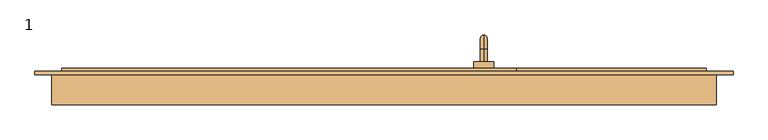
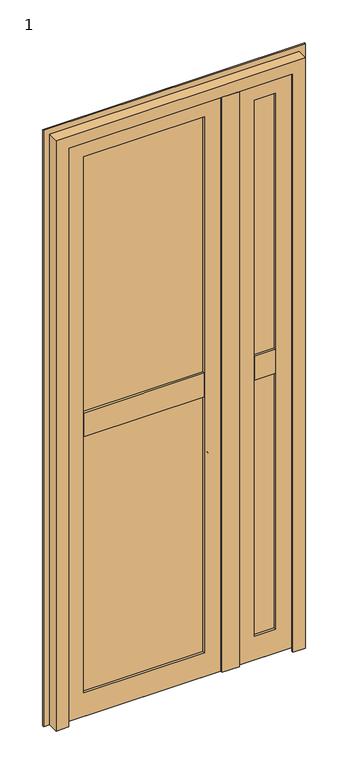
"""IFC4 building model written with IfcOpenShell, lengths in millimetres: door geometry, 1."""

import ifcopenshell
import ifcopenshell.guid

model = None  # the IFC model being written
_history = None  # IfcOwnerHistory: only IFC2X3 demands one
_inside = {}  # id of a spatial element -> (the spatial element, [elements in it])
_under = {}  # id of a project, library or spatial element -> (it, [spatial elements below it])
_declared = {}  # id of a project -> (the project, [libraries it declares])
_typed = {}  # id of a type object -> (the type object, [elements of that type])
_made_of = {}  # id of a material, layer set ... -> (it, [elements and type objects made of it])


def new_model(schema):
    """Start an empty IFC model of exactly this schema.

    Asked for "IFC4X3", IfcOpenShell would pick the latest addendum, in which some entities
    have other attributes; the version numbers below select the first issue.
    IFC2X3 requires an IfcOwnerHistory on every rooted entity: one is made here for all.
    """
    global model, _history
    if schema == "IFC4X3":
        model = ifcopenshell.file(schema_version=(4, 3, 0, 0))
    else:
        model = ifcopenshell.file(schema=schema)
    _inside.clear()
    _under.clear()
    _declared.clear()
    _typed.clear()
    _made_of.clear()
    _history = None
    if model.schema == "IFC2X3":
        org = make("IfcOrganization", Name="unknown")
        user = make(
            "IfcPersonAndOrganization",
            ThePerson=make("IfcPerson", FamilyName="unknown"),
            TheOrganization=org,
        )
        app = make(
            "IfcApplication",
            ApplicationDeveloper=org,
            Version="unknown",
            ApplicationFullName="unknown",
            ApplicationIdentifier="unknown",
        )
        _history = make(
            "IfcOwnerHistory",
            OwningUser=user,
            OwningApplication=app,
            ChangeAction="ADDED",
            CreationDate=0,
        )
    return model


def make(cls, **values):
    """One entity of the class cls with the attributes given. An attribute that is None is left unset."""
    return model.create_entity(
        cls, **{name: value for name, value in values.items() if value is not None}
    )


def rooted(cls, **values):
    """An entity with a GlobalId (a new one), such as an element, a storey or a relation."""
    return make(cls, GlobalId=ifcopenshell.guid.new(), OwnerHistory=_history, **values)


def si_unit(unit_type, name, prefix=None):
    """IfcSIUnit, for example si_unit("LENGTHUNIT", "METRE", prefix="MILLI")."""
    return make("IfcSIUnit", UnitType=unit_type, Prefix=prefix, Name=name)


def assignment(units):
    """IfcUnitAssignment: the units of a project."""
    return None if units is None else make("IfcUnitAssignment", Units=units)


def point(xyz):
    """IfcCartesianPoint."""
    return None if xyz is None else make("IfcCartesianPoint", Coordinates=xyz)


def direction(xyz):
    """IfcDirection."""
    return None if xyz is None else make("IfcDirection", DirectionRatios=xyz)


def frame(location, z_axis=None, x_axis=None):
    """IfcAxis2Placement3D, a coordinate frame: its origin and axes. An axis left out is left unset."""
    return make(
        "IfcAxis2Placement3D",
        Location=point(location),
        Axis=direction(z_axis),
        RefDirection=direction(x_axis),
    )


def origin():
    """The frame at (0, 0, 0) with its axes left unset."""
    return frame((0.0, 0.0, 0.0))


def place(relative_to, where):
    """IfcLocalPlacement: puts the frame where relative to a parent placement (None: the world)."""
    return make(
        "IfcLocalPlacement", PlacementRelTo=relative_to, RelativePlacement=where
    )


def context(
    kind, dimensions, precision=None, world=None, true_north=None, identifier=None
):
    """IfcGeometricRepresentationContext, for example the 3D "Model" context."""
    return make(
        "IfcGeometricRepresentationContext",
        ContextIdentifier=identifier,
        ContextType=kind,
        CoordinateSpaceDimension=dimensions,
        Precision=precision,
        WorldCoordinateSystem=world,
        TrueNorth=true_north,
    )


def project(units=None, contexts=None):
    """IfcProject with its units and contexts."""
    return rooted(
        "IfcProject",
        Name="project",
        RepresentationContexts=contexts,
        UnitsInContext=assignment(units),
    )


def spatial(cls, under=None, at=None, **own):
    """A site, building, storey or space (cls), placed at a placement, below another one or the project."""
    s = rooted(cls, ObjectPlacement=at, **own)
    if under is not None:
        _under.setdefault(under.id(), (under, []))[1].append(s)
    return s


def polyline(points):
    """IfcPolyline through the points."""
    return make("IfcPolyline", Points=[point(p) for p in points])


def circle_curve(where, radius):
    """IfcCircle in the frame where."""
    return make("IfcCircle", Position=where, Radius=radius)


def ellipse_curve(where, semi_axis1, semi_axis2):
    """IfcEllipse in the frame where."""
    return make(
        "IfcEllipse", Position=where, SemiAxis1=semi_axis1, SemiAxis2=semi_axis2
    )


def trimmed(basis, trim1, trim2, sense, master):
    """IfcTrimmedCurve: the piece of a basis curve between two trims."""
    return make(
        "IfcTrimmedCurve",
        BasisCurve=basis,
        Trim1=trim1,
        Trim2=trim2,
        SenseAgreement=sense,
        MasterRepresentation=master,
    )


def outline(outer, holes=None, kind="AREA"):
    """IfcArbitraryClosedProfileDef: a profile drawn as a closed curve; with holes, ...WithVoids."""
    if holes is None:
        return make("IfcArbitraryClosedProfileDef", ProfileType=kind, OuterCurve=outer)
    return make(
        "IfcArbitraryProfileDefWithVoids",
        ProfileType=kind,
        OuterCurve=outer,
        InnerCurves=holes,
    )


def extrude(swept, where, along, depth):
    """IfcExtrudedAreaSolid: the profile swept, set in the frame where, extruded along a direction by depth."""
    return make(
        "IfcExtrudedAreaSolid",
        SweptArea=swept,
        Position=where,
        ExtrudedDirection=direction(along),
        Depth=depth,
    )


def faces_of(points, faces, orient=None, outer=None):
    """IfcFace entities. A face is a list of loops; a loop is a list of indices into points, from 0.

    orient and outer hold one flag for each loop. By default every Orientation is true, the
    first loop of a face is its IfcFaceOuterBound and the others are IfcFaceBound.
    """
    made = []
    for i, loops in enumerate(faces):
        bounds = []
        for j, loop in enumerate(loops):
            is_outer = j == 0 if outer is None else outer[i][j]
            bounds.append(
                make(
                    "IfcFaceOuterBound" if is_outer else "IfcFaceBound",
                    Bound=make("IfcPolyLoop", Polygon=[points[k] for k in loop]),
                    Orientation=True if orient is None else orient[i][j],
                )
            )
        made.append(make("IfcFace", Bounds=bounds))
    return made


def faceted_brep(points, faces, orient=None, outer=None, voids=None):
    """IfcFacetedBrep: a solid bounded by flat faces; with voids (closed shells), ...WithVoids."""
    shared = [point(p) for p in points]
    hull = make("IfcClosedShell", CfsFaces=faces_of(shared, faces, orient, outer))
    if voids is None:
        return make("IfcFacetedBrep", Outer=hull)
    return make(
        "IfcFacetedBrepWithVoids",
        Outer=hull,
        Voids=[
            make(cls, CfsFaces=faces_of(shared, fs, o, b)) for cls, fs, o, b in voids
        ],
    )


def shape(context_of_items, identifier, shape_type, items):
    """IfcShapeRepresentation: the items that make up one representation, for example the "Body"."""
    return make(
        "IfcShapeRepresentation",
        ContextOfItems=context_of_items,
        RepresentationIdentifier=identifier,
        RepresentationType=shape_type,
        Items=items,
    )


def source(mapping_origin, context_of_items, identifier, shape_type, items):
    """IfcRepresentationMap: a shape defined once, which mapped items show again and again."""
    return make(
        "IfcRepresentationMap",
        MappingOrigin=mapping_origin,
        MappedRepresentation=shape(context_of_items, identifier, shape_type, items),
    )


def transform(
    local_origin,
    x_axis=None,
    y_axis=None,
    z_axis=None,
    scale=None,
    scale2=None,
    scale3=None,
    uniform=True,
):
    """IfcCartesianTransformationOperator3D, or its non-uniform kind. x_axis, y_axis, z_axis: its Axis1, 2, 3."""
    if uniform:
        return make(
            "IfcCartesianTransformationOperator3D",
            Axis1=direction(x_axis),
            Axis2=direction(y_axis),
            LocalOrigin=point(local_origin),
            Scale=scale,
            Axis3=direction(z_axis),
        )
    return make(
        "IfcCartesianTransformationOperator3DnonUniform",
        Axis1=direction(x_axis),
        Axis2=direction(y_axis),
        LocalOrigin=point(local_origin),
        Scale=scale,
        Axis3=direction(z_axis),
        Scale2=scale2,
        Scale3=scale3,
    )


def mapped(mapping_source, mapping_target):
    """IfcMappedItem: shows the shape of a source again, moved by a transform."""
    return make(
        "IfcMappedItem", MappingSource=mapping_source, MappingTarget=mapping_target
    )


def made_of(thing, what):
    """Note that an element or type object is made of a material, layer set ...; save() writes the relation."""
    if what is not None:
        _made_of.setdefault(what.id(), (what, []))[1].append(thing)
    return thing


def element(
    cls,
    number,
    at=None,
    inside=None,
    cuts=None,
    type_object=None,
    material=None,
    context=None,
    identifier="Body",
    shape_type=None,
    held_by="IfcProductDefinitionShape",
    body=None,
    shapes=None,
    **own,
):
    """One element of the class cls, such as IfcWall. Its Tag is "e" and its number.

    at: its placement. inside: the storey or other place that contains it. cuts: it is an
    opening in that element (IfcRelVoidsElement). A single representation is given by context,
    identifier, shape_type and body (its items); several are given by shapes. held_by: the class
    of the entity that holds the representations. save() writes the other relations.
    """
    e = rooted(cls, Tag="e%d" % number, ObjectPlacement=at, **own)
    if body is not None:
        shapes = [shape(context, identifier, shape_type, body)]
    if shapes is not None:
        e.Representation = make(held_by, Representations=shapes)
    if inside is not None:
        _inside.setdefault(inside.id(), (inside, []))[1].append(e)
    if cuts is not None:
        rooted(
            "IfcRelVoidsElement", RelatingBuildingElement=cuts, RelatedOpeningElement=e
        )
    if type_object is not None:
        _typed.setdefault(type_object.id(), (type_object, []))[1].append(e)
    return made_of(e, material)


def aggregate(whole, parts):
    """IfcRelAggregates: a whole, such as a stair, and the parts it consists of."""
    return rooted("IfcRelAggregates", RelatingObject=whole, RelatedObjects=parts)


def save(model, path):
    """Write the relations noted so far, then the file.

    IfcRelAggregates (storeys below a building ...), IfcRelContainedInSpatialStructure (elements
    in a storey), IfcRelDefinesByType, IfcRelAssociatesMaterial and IfcRelDeclares: one each for
    every whole, place, type object, material and project.
    """
    for whole, parts in _under.values():
        aggregate(whole, parts)
    for where, things in _inside.values():
        rooted(
            "IfcRelContainedInSpatialStructure",
            RelatedElements=things,
            RelatingStructure=where,
        )
    for kind, things in _typed.values():
        rooted("IfcRelDefinesByType", RelatedObjects=things, RelatingType=kind)
    for what, things in _made_of.values():
        rooted("IfcRelAssociatesMaterial", RelatedObjects=things, RelatingMaterial=what)
    for by, libraries in _declared.values():
        rooted("IfcRelDeclares", RelatingContext=by, RelatedDefinitions=libraries)
    model.write(path)


def plane_surface(at):
    """IfcPlane: the flat surface through the origin of the frame at, square to its z axis."""
    return make("IfcPlane", Position=at)


def cylinder_surface(at, radius):
    """IfcCylindricalSurface: all points at the distance radius from the z axis of the frame at."""
    return make("IfcCylindricalSurface", Position=at, Radius=radius)


def revolved_surface(curve, axis_point, axis_direction):
    """IfcSurfaceOfRevolution: the curve turned about the line through axis_point along axis_direction."""
    return make(
        "IfcSurfaceOfRevolution",
        SweptCurve=make("IfcArbitraryOpenProfileDef", ProfileType="CURVE", Curve=curve),
        AxisPosition=make("IfcAxis1Placement", Location=point(axis_point), Axis=direction(axis_direction)),
    )


def advanced_brep(points, edges, surfaces, faces):
    """IfcAdvancedBrep: a solid bounded by faces that lie on surfaces and meet in shared edges.

    An edge is (start, end): straight between two places in points (the first is 0);
    or (start, end, curve); or (start, end, curve, False) where it runs against its curve.
    A face is (place in surfaces, loops), or (place, loops, False) where it looks against
    its surface's normal. A loop lists edges by number (the first is 1), with a minus sign
    where the edge is run from its end to its start. The first loop is the outer one.
    """
    corners = [point(p) for p in points]
    vertices = [make("IfcVertexPoint", VertexGeometry=c) for c in corners]
    made = []
    for start, end, *more in edges:
        made.append(
            make(
                "IfcEdgeCurve",
                EdgeStart=vertices[start],
                EdgeEnd=vertices[end],
                EdgeGeometry=more[0] if more else make("IfcPolyline", Points=[corners[start], corners[end]]),
                SameSense=more[1] if len(more) > 1 else True,
            )
        )
    hull = []
    for where, loops, *sense in faces:
        bounds = []
        for j, loop in enumerate(loops):
            ring = [make("IfcOrientedEdge", EdgeElement=made[abs(k) - 1], Orientation=k > 0) for k in loop]
            bounds.append(
                make(
                    "IfcFaceOuterBound" if j == 0 else "IfcFaceBound",
                    Bound=make("IfcEdgeLoop", EdgeList=ring),
                    Orientation=True,
                )
            )
        hull.append(make("IfcAdvancedFace", Bounds=bounds, FaceSurface=surfaces[where], SameSense=sense[0] if sense else True))
    return make("IfcAdvancedBrep", Outer=make("IfcClosedShell", CfsFaces=hull))


def door_1_78ef462b(model_context):
    return source(origin(), model_context, "Body", "SolidModel", [
        advanced_brep(
        [(-50.0, 169.0, 905.0), (-50.0, 188.0, 905.0), (-50.0, 188.0, 895.0), (-50.0, 169.0, 895.0), (-50.0, 209.0, 884.0), (-50.0, 199.0, 884.0), (-50.0, 209.0, 805.0), (-50.0, 199.0, 805.0), (-65.0, 169.0, 930.0), (-35.0, 169.0, 930.0), (-35.0, 169.0, 870.0), (-65.0, 169.0, 870.0), (-65.0, 159.0, 930.0), (-65.0, 159.0, 870.0), (-35.0, 159.0, 870.0), (-35.0, 159.0, 930.0)],
        [
            (0, 1),
            (1, 2, circle_curve(frame((-50.0, 188.0, 900.0), z_axis=(0.0, -1.0, 0.0), x_axis=(0.0, 0.0, -1.0)), 5.0)),
            (2, 3),
            (3, 0, circle_curve(frame((-50.0, 169.0, 900.0), z_axis=(0.0, 1.0, 0.0), x_axis=(0.0, 0.0, -1.0)), 5.0)),
            (0, 3, circle_curve(frame((-50.0, 169.0, 900.0), z_axis=(0.0, 1.0, 0.0), x_axis=(0.0, 0.0, -1.0)), 5.0)),
            (2, 1, circle_curve(frame((-50.0, 188.0, 900.0), z_axis=(0.0, -1.0, 0.0), x_axis=(0.0, 0.0, -1.0)), 5.0)),
            (1, 4, circle_curve(frame((-50.0, 188.0, 884.0), z_axis=(-1.0, 0.0, 0.0), x_axis=(0.0, 0.0, 1.0)), 21.0)),
            (4, 5, circle_curve(frame((-50.0, 204.0, 884.0), z_axis=(0.0, 0.0, 1.0), x_axis=(0.0, -1.0, 0.0)), 5.0)),
            (5, 2, circle_curve(frame((-50.0, 188.0, 884.0), z_axis=(1.0, 0.0, 0.0), x_axis=(0.0, 0.0, 1.0)), 11.0)),
            (5, 4, circle_curve(frame((-50.0, 204.0, 884.0), z_axis=(0.0, 0.0, 1.0), x_axis=(0.0, -1.0, 0.0)), 5.0)),
            (6, 7, circle_curve(frame((-50.0, 204.0, 805.0), z_axis=(0.0, 0.0, -1.0), x_axis=(0.0, -1.0, 0.0)), 5.0)),
            (7, 6, circle_curve(frame((-50.0, 204.0, 805.0), z_axis=(0.0, 0.0, -1.0), x_axis=(0.0, -1.0, 0.0)), 5.0)),
            (4, 6),
            (7, 5),
            (8, 9),
            (9, 10),
            (10, 11),
            (11, 8),
            (12, 13),
            (13, 14),
            (14, 15),
            (15, 12),
            (8, 12),
            (15, 9),
            (14, 10),
            (13, 11),
        ],
        [
            cylinder_surface(frame((-50.0, 169.0, 900.0), z_axis=(0.0, -1.0, 0.0), x_axis=(0.0, 0.0, -1.0)), 5.0),
            revolved_surface(trimmed(ellipse_curve(frame((-50.0, 188.0, 900.0), z_axis=(0.0, -1.0, 0.0), x_axis=(0.0, 0.0, -1.0)), 5.0, 5.0), [point((-50.0, 188.0, 905.0))], [point((-50.0, 188.0, 895.0))], True, "CARTESIAN"), (-50.0, 188.0, 884.0), (-1.0, 0.0, 0.0)),
            revolved_surface(trimmed(ellipse_curve(frame((-50.0, 188.0, 900.0), z_axis=(0.0, -1.0, 0.0), x_axis=(0.0, 0.0, -1.0)), 5.0, 5.0), [point((-50.0, 188.0, 895.0))], [point((-50.0, 188.0, 905.0))], True, "CARTESIAN"), (-50.0, 188.0, 884.0), (-1.0, 0.0, 0.0)),
            plane_surface(frame((-50.0, 204.0, 805.0), z_axis=(0.0, 0.0, -1.0), x_axis=(-1.0, 0.0, 0.0))),
            cylinder_surface(frame((-50.0, 204.0, 884.0), z_axis=(0.0, 0.0, 1.0), x_axis=(0.0, -1.0, 0.0)), 5.0),
            plane_surface(frame((-35.0, 169.0, 930.0), z_axis=(0.0, 1.0, 0.0), x_axis=(1.0, 0.0, 0.0))),
            plane_surface(frame((-35.0, 159.0, 930.0), z_axis=(0.0, -1.0, 0.0), x_axis=(-1.0, 0.0, 0.0))),
            plane_surface(frame((-65.0, 169.0, 930.0), z_axis=(0.0, 0.0, 1.0), x_axis=(0.0, -1.0, 0.0))),
            plane_surface(frame((-35.0, 169.0, 930.0), z_axis=(1.0, 0.0, 0.0), x_axis=(0.0, -1.0, 0.0))),
            plane_surface(frame((-35.0, 169.0, 870.0), z_axis=(0.0, 0.0, -1.0), x_axis=(0.0, -1.0, 0.0))),
            plane_surface(frame((-65.0, 169.0, 870.0), z_axis=(-1.0, 0.0, 0.0), x_axis=(0.0, -1.0, 0.0))),
        ],
        [
            (0, [[1, 2, 3, 4]]),
            (0, [[-1, 5, -3, 6]]),
            (1, [[-2, 7, 8, 9]]),
            (2, [[-6, -9, 10, -7]]),
            (3, [[11, 12]]),
            (4, [[-8, 13, -12, 14]]),
            (4, [[-10, -14, -11, -13]]),
            (5, [[15, 16, 17, 18], [-4, -5]]),
            (6, [[19, 20, 21, 22]]),
            (7, [[-15, 23, -22, 24]]),
            (8, [[-16, -24, -21, 25]]),
            (9, [[-17, -25, -20, 26]]),
            (10, [[-18, -26, -19, -23]]),
        ],
    ),
        extrude(outline(polyline([(149.0, 22.0), (149.0, 7.0), (144.0, 7.0), (144.0, 12.0), (129.0, 12.0), (129.0, 7.0), (124.0, 7.0), (124.0, 22.0), (149.0, 22.0)])), frame((0.0, 0.0, 0.0), z_axis=(1.0, 0.0, 0.0), x_axis=(0.0, 1.0, 0.0)), (0.0, 0.0, 1.0), 285.0),
        extrude(outline(polyline([(149.0, 22.0), (149.0, 7.0), (144.0, 7.0), (144.0, 12.0), (129.0, 12.0), (129.0, 7.0), (124.0, 7.0), (124.0, 22.0), (149.0, 22.0)])), frame((-685.0, 0.0, 0.0), z_axis=(1.0, 0.0, 0.0), x_axis=(0.0, 1.0, 0.0)), (0.0, 0.0, 1.0), 685.0),
        faceted_brep([(0.0, 114.0, 40.0), (0.0, 124.0, 40.0), (0.0, 124.0, 15.0), (0.0, 114.0, 15.0), (285.0, 114.0, 40.0), (285.0, 114.0, 15.0), (285.0, 124.0, 15.0), (285.0, 124.0, 40.0), (25.0, 114.0, 40.0), (25.0, 124.0, 40.0), (260.0, 124.0, 40.0), (260.0, 114.0, 40.0), (260.0, 114.0, 2460.0), (25.0, 114.0, 2460.0), (100.0, 114.0, 2385.0), (185.0, 114.0, 2385.0), (185.0, 114.0, 115.0), (100.0, 114.0, 115.0), (285.0, 149.0, 2485.0), (285.0, 159.0, 2485.0), (0.0, 159.0, 2485.0), (0.0, 149.0, 2485.0), (210.0, 159.0, 2410.0), (210.0, 124.0, 2410.0), (75.0, 124.0, 2410.0), (75.0, 159.0, 2410.0), (185.0, 124.0, 2385.0), (100.0, 124.0, 2385.0), (260.0, 149.0, 2460.0), (25.0, 149.0, 2460.0), (0.0, 159.0, 15.0), (0.0, 149.0, 15.0), (75.0, 124.0, 90.0), (75.0, 159.0, 90.0), (100.0, 124.0, 115.0), (25.0, 149.0, 40.0), (285.0, 159.0, 15.0), (285.0, 149.0, 15.0), (210.0, 124.0, 90.0), (210.0, 159.0, 90.0), (185.0, 124.0, 115.0), (260.0, 149.0, 40.0)], [[[0, 1, 2, 3]], [[4, 5, 6, 7]], [[1, 0, 8, 9]], [[4, 7, 10, 11]], [[2, 1, 9, 10, 7, 6]], [[3, 2, 6, 5]], [[0, 3, 5, 4, 11, 12, 13, 8], [14, 15, 16, 17]], [[18, 19, 20, 21]], [[22, 23, 24, 25]], [[26, 15, 14, 27]], [[12, 28, 29, 13]], [[21, 20, 30, 31]], [[25, 24, 32, 33]], [[27, 14, 17, 34]], [[13, 29, 35, 9, 8]], [[31, 30, 36, 37]], [[33, 32, 38, 39]], [[34, 17, 16, 40]], [[35, 41, 10, 9]], [[19, 18, 37, 36]], [[20, 19, 36, 30], [22, 25, 33, 39]], [[23, 22, 39, 38]], [[24, 23, 38, 32], [26, 27, 34, 40]], [[15, 26, 40, 16]], [[28, 12, 11, 10, 41]], [[18, 21, 31, 37], [29, 28, 41, 35]]]),
        faceted_brep([(-685.0, 159.0, 2485.0), (-685.0, 149.0, 2485.0), (0.0, 149.0, 2485.0), (0.0, 159.0, 2485.0), (-610.0, 124.0, 2410.0), (-610.0, 159.0, 2410.0), (-75.0, 159.0, 2410.0), (-75.0, 124.0, 2410.0), (-585.0, 114.0, 2385.0), (-585.0, 124.0, 2385.0), (-100.0, 124.0, 2385.0), (-100.0, 114.0, 2385.0), (-660.0, 149.0, 2460.0), (-660.0, 114.0, 2460.0), (-25.0, 114.0, 2460.0), (-25.0, 149.0, 2460.0), (0.0, 149.0, 15.0), (0.0, 159.0, 15.0), (-75.0, 159.0, 90.0), (-75.0, 124.0, 90.0), (-100.0, 124.0, 115.0), (-100.0, 114.0, 115.0), (-25.0, 114.0, 40.0), (-25.0, 124.0, 40.0), (-25.0, 149.0, 40.0), (-685.0, 149.0, 15.0), (-685.0, 159.0, 15.0), (-610.0, 159.0, 90.0), (-610.0, 124.0, 90.0), (-585.0, 124.0, 115.0), (-585.0, 114.0, 115.0), (-660.0, 149.0, 40.0), (-660.0, 124.0, 40.0), (-660.0, 114.0, 40.0), (-685.0, 114.0, 40.0), (-685.0, 114.0, 15.0), (0.0, 114.0, 15.0), (0.0, 114.0, 40.0), (0.0, 124.0, 15.0), (0.0, 124.0, 40.0), (-685.0, 124.0, 40.0), (-685.0, 124.0, 15.0)], [[[0, 1, 2, 3]], [[4, 5, 6, 7]], [[8, 9, 10, 11]], [[12, 13, 14, 15]], [[3, 2, 16, 17]], [[7, 6, 18, 19]], [[11, 10, 20, 21]], [[15, 14, 22, 23, 24]], [[17, 16, 25, 26]], [[19, 18, 27, 28]], [[21, 20, 29, 30]], [[31, 24, 23, 32]], [[1, 0, 26, 25]], [[0, 3, 17, 26], [6, 5, 27, 18]], [[5, 4, 28, 27]], [[4, 7, 19, 28], [10, 9, 29, 20]], [[9, 8, 30, 29]], [[14, 13, 33, 34, 35, 36, 37, 22], [8, 11, 21, 30]], [[13, 12, 31, 32, 33]], [[2, 1, 25, 16], [12, 15, 24, 31]], [[37, 36, 38, 39]], [[34, 40, 41, 35]], [[37, 39, 23, 22]], [[40, 34, 33, 32]], [[39, 38, 41, 40, 32, 23]], [[38, 36, 35, 41]]]),
        extrude(outline(polyline([(85.0, 124.0), (85.0, 138.0), (200.0, 138.0), (200.0, 124.0), (85.0, 124.0)])), frame((0.0, 0.0, 1285.0), z_axis=(0.0, 0.0, 1.0), x_axis=(1.0, 0.0, 0.0)), (0.0, 0.0, 1.0), 1115.0),
        extrude(outline(polyline([(85.0, 124.0), (85.0, 138.0), (200.0, 138.0), (200.0, 124.0), (85.0, 124.0)])), frame((0.0, 0.0, 100.0), z_axis=(0.0, 0.0, 1.0), x_axis=(1.0, 0.0, 0.0)), (0.0, 0.0, 1.0), 1115.0),
        extrude(outline(polyline([(-600.0, 124.0), (-600.0, 138.0), (-85.0, 138.0), (-85.0, 124.0), (-600.0, 124.0)])), frame((0.0, 0.0, 1285.0), z_axis=(0.0, 0.0, 1.0), x_axis=(1.0, 0.0, 0.0)), (0.0, 0.0, 1.0), 1115.0),
        extrude(outline(polyline([(-600.0, 124.0), (-600.0, 138.0), (-85.0, 138.0), (-85.0, 124.0), (-600.0, 124.0)])), frame((0.0, 0.0, 100.0), z_axis=(0.0, 0.0, 1.0), x_axis=(1.0, 0.0, 0.0)), (0.0, 0.0, 1.0), 1115.0),
        extrude(outline(polyline([(124.0, 1225.0), (124.0, 1200.0), (114.0, 1200.0), (114.0, 1300.0), (124.0, 1300.0), (124.0, 1275.0), (159.0, 1275.0), (159.0, 1225.0), (124.0, 1225.0)])), frame((100.0, 0.0, 0.0), z_axis=(1.0, 0.0, 0.0), x_axis=(0.0, 1.0, 0.0)), (0.0, 0.0, 1.0), 85.0),
        extrude(outline(polyline([(124.0, 1275.0), (159.0, 1275.0), (159.0, 1225.0), (124.0, 1225.0), (124.0, 1200.0), (114.0, 1200.0), (114.0, 1300.0), (124.0, 1300.0), (124.0, 1275.0)])), frame((-585.0, 0.0, 0.0), z_axis=(1.0, 0.0, 0.0), x_axis=(0.0, 1.0, 0.0)), (0.0, 0.0, 1.0), 485.0),
        extrude(outline(polyline([(-585.0, 138.0), (-585.0, 159.0), (-100.0, 159.0), (-100.0, 138.0), (-585.0, 138.0)])), frame((0.0, 0.0, 1275.0), z_axis=(0.0, 0.0, 1.0), x_axis=(1.0, 0.0, 0.0)), (0.0, 0.0, 1.0), 25.0),
        extrude(outline(polyline([(-585.0, 138.0), (-585.0, 159.0), (-100.0, 159.0), (-100.0, 138.0), (-585.0, 138.0)])), frame((0.0, 0.0, 1200.0), z_axis=(0.0, 0.0, 1.0), x_axis=(1.0, 0.0, 0.0)), (0.0, 0.0, 1.0), 25.0),
        extrude(outline(polyline([(100.0, 138.0), (100.0, 159.0), (185.0, 159.0), (185.0, 138.0), (100.0, 138.0)])), frame((0.0, 0.0, 1275.0), z_axis=(0.0, 0.0, 1.0), x_axis=(1.0, 0.0, 0.0)), (0.0, 0.0, 1.0), 25.0),
        extrude(outline(polyline([(100.0, 138.0), (100.0, 159.0), (185.0, 159.0), (185.0, 138.0), (100.0, 138.0)])), frame((0.0, 0.0, 1200.0), z_axis=(0.0, 0.0, 1.0), x_axis=(1.0, 0.0, 0.0)), (0.0, 0.0, 1.0), 25.0),
        extrude(outline(polyline([(2410.0, 75.0), (90.0, 75.0), (90.0, 210.0), (2410.0, 210.0), (2410.0, 75.0)]), holes=[polyline([(2385.0, 185.0), (115.0, 185.0), (115.0, 100.0), (2385.0, 100.0), (2385.0, 185.0)])]), frame((0.0, 138.0, 0.0), z_axis=(0.0, 1.0, 0.0), x_axis=(0.0, 0.0, 1.0)), (0.0, 0.0, 1.0), 21.0),
        faceted_brep([(25.0, 149.0, 2485.0), (-10.0, 149.0, 2485.0), (-10.0, 114.0, 2485.0), (25.0, 114.0, 2485.0), (25.0, 149.0, 15.0), (-10.0, 149.0, 15.0), (-10.0, 114.0, 15.0), (-10.0, 114.0, 2450.0), (25.0, 114.0, 2450.0), (25.0, 114.0, 15.0), (35.0, 104.0, 2450.0), (35.0, 114.0, 2450.0), (-35.0, 114.0, 2450.0), (-35.0, 104.0, 2450.0), (35.0, 104.0, 15.0), (-35.0, 104.0, 15.0), (-35.0, 114.0, 15.0), (35.0, 114.0, 15.0)], [[[0, 1, 2, 3]], [[1, 0, 4, 5]], [[2, 1, 5, 6, 7]], [[3, 2, 7, 8]], [[4, 0, 3, 8, 9]], [[10, 11, 8, 7, 12, 13]], [[14, 15, 16, 6, 5, 4, 9, 17]], [[11, 10, 14, 17]], [[8, 11, 17, 9]], [[12, 7, 6, 16]], [[13, 12, 16, 15]], [[10, 13, 15, 14]]]),
        extrude(outline(polyline([(2410.0, -610.0), (90.0, -610.0), (90.0, -75.0), (2410.0, -75.0), (2410.0, -610.0)]), holes=[polyline([(2385.0, -100.0), (115.0, -100.0), (115.0, -585.0), (2385.0, -585.0), (2385.0, -100.0)])]), frame((0.0, 138.0, 0.0), z_axis=(0.0, 1.0, 0.0), x_axis=(0.0, 0.0, 1.0)), (0.0, 0.0, 1.0), 21.0),
        faceted_brep([(-700.0, 104.0, 0.0), (-700.0, 149.0, 0.0), (-675.0, 149.0, 0.0), (-675.0, 114.0, 0.0), (-650.0, 114.0, 0.0), (-650.0, 104.0, 0.0), (-700.0, 149.0, 2500.0), (-700.0, 104.0, 2500.0), (300.0, 104.0, 2500.0), (300.0, 149.0, 2500.0), (-675.0, 114.0, 2475.0), (-675.0, 149.0, 2475.0), (275.0, 149.0, 2475.0), (275.0, 114.0, 2475.0), (-650.0, 104.0, 2450.0), (-650.0, 114.0, 2450.0), (250.0, 114.0, 2450.0), (250.0, 104.0, 2450.0), (300.0, 104.0, 0.0), (300.0, 149.0, 0.0), (275.0, 149.0, 0.0), (275.0, 114.0, 0.0), (250.0, 114.0, 0.0), (250.0, 104.0, 0.0)], [[[0, 1, 2, 3, 4, 5]], [[6, 7, 8, 9]], [[10, 11, 12, 13]], [[14, 15, 16, 17]], [[9, 8, 18, 19]], [[13, 12, 20, 21]], [[17, 16, 22, 23]], [[18, 23, 22, 21, 20, 19]], [[1, 0, 7, 6]], [[2, 1, 6, 9, 19, 20, 12, 11]], [[3, 2, 11, 10]], [[4, 3, 10, 13, 21, 22, 16, 15]], [[5, 4, 15, 14]], [[0, 5, 14, 17, 23, 18, 8, 7]]]),
        extrude(outline(polyline([(0.0, -725.0), (0.0, -690.0), (2490.0, -690.0), (2490.0, 290.0), (0.0, 290.0), (0.0, 325.0), (2525.0, 325.0), (2525.0, -725.0), (0.0, -725.0)])), frame((0.0, 149.0, 0.0), z_axis=(0.0, 1.0, 0.0), x_axis=(0.0, 0.0, 1.0)), (0.0, 0.0, 1.0), 5.0),
    ])


if __name__ == "__main__":
    model = new_model("IFC4")
    model_context = context("Model", 3, world=origin())
    ifc_project = project(units=[si_unit("LENGTHUNIT", "METRE", prefix="MILLI")], contexts=[model_context])
    site = spatial("IfcSite", under=ifc_project)
    building = spatial("IfcBuilding", under=site)
    placement = place(None, origin())
    door_1_shape = door_1_78ef462b(model_context)
    element("IfcDoor", 1, ObjectType="1", at=placement, inside=building, context=model_context, shape_type="MappedRepresentation", body=[
        mapped(door_1_shape, transform((0.0, 0.0, 0.0), x_axis=(1.0, 0.0, 0.0), y_axis=(0.0, 1.0, 0.0), z_axis=(0.0, 0.0, 1.0))),
    ])
    save(model, "model.ifc")
